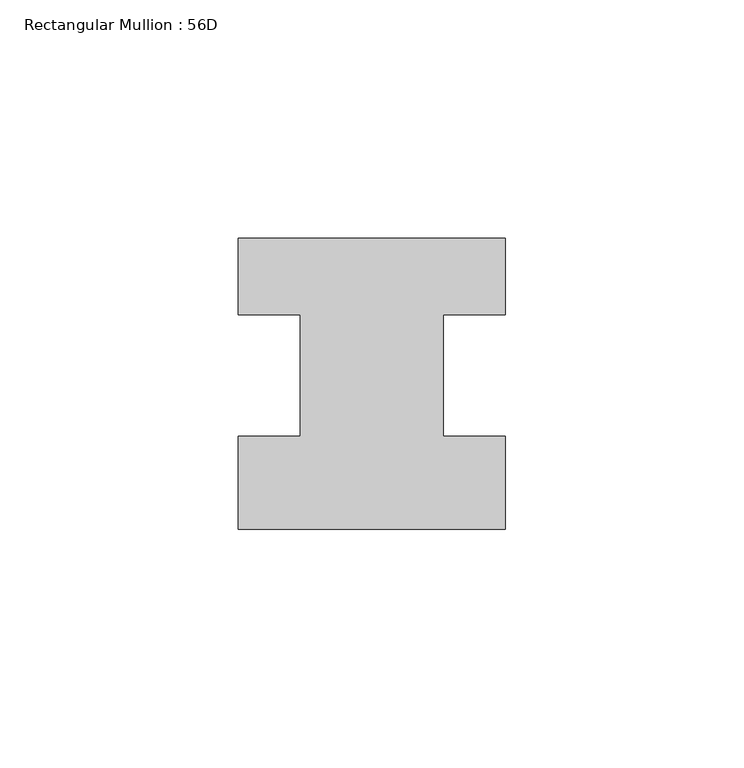
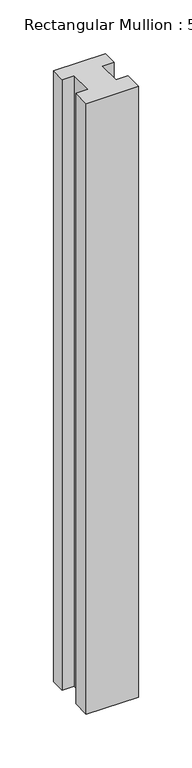
"""IFC4 building model written with IfcOpenShell, lengths in millimetres: member geometry, Rectangular Mullion : 56D."""

from ifc_helpers import new_model, si_unit, frame, origin, place, context, project, spatial, polyline, outline, extrude, source, transform, mapped, element, save


def rectangular_mullion_56d_ce6cb9a0(model_context):
    return source(origin(), model_context, "Body", "SweptSolid", [
        extrude(outline(polyline([(28.0, -20.0), (-28.0, -20.0), (-28.0, -0.5), (-15.0, -0.5), (-15.0, 25.0), (-28.0, 25.0), (-28.0, 41.0), (28.0, 41.0), (28.0, 25.0), (15.0, 25.0), (15.0, -0.5), (28.0, -0.5), (28.0, -20.0)])), frame((0.0, 0.0, -694.0), z_axis=(0.0, 0.0, 1.0), x_axis=(1.0, 0.0, 0.0)), (0.0, 0.0, 1.0), 694.0),
    ])


if __name__ == "__main__":
    model = new_model("IFC4")
    model_context = context("Model", 3, world=origin())
    ifc_project = project(units=[si_unit("LENGTHUNIT", "METRE", prefix="MILLI")], contexts=[model_context])
    site = spatial("IfcSite", under=ifc_project)
    building = spatial("IfcBuilding", under=site)
    placement = place(None, origin())
    rectangular_mullion_56d_shape = rectangular_mullion_56d_ce6cb9a0(model_context)
    element("IfcMember", 1, ObjectType="Rectangular Mullion : 56D", at=placement, inside=building, context=model_context, shape_type="MappedRepresentation", body=[
        mapped(rectangular_mullion_56d_shape, transform((0.0, 0.0, 0.0), x_axis=(1.0, 0.0, 0.0), y_axis=(0.0, 1.0, 0.0), z_axis=(0.0, 0.0, 1.0))),
    ])
    save(model, "model.ifc")
